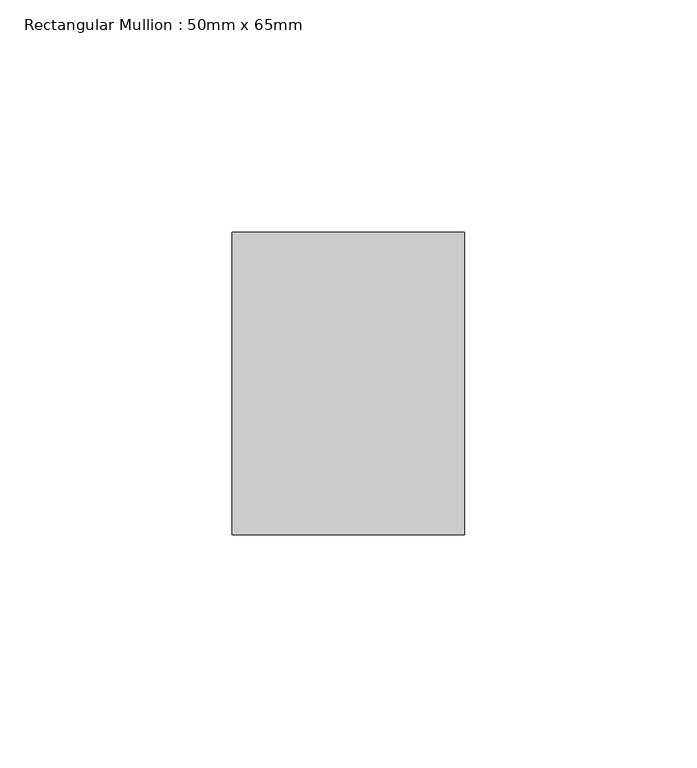
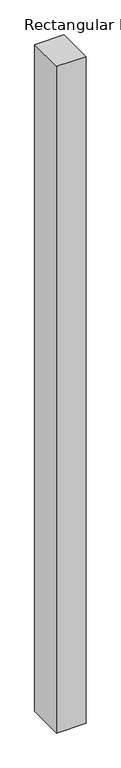
"""IFC4 building model written with IfcOpenShell, lengths in millimetres: member geometry, Rectangular Mullion : 50mm x 65mm."""

from ifc_helpers import new_model, si_unit, frame, origin, place, context, project, spatial, polyline, outline, extrude, source, transform, mapped, element, save


def rectangular_mullion_50mm_x_65mm_36e0527a(model_context):
    return source(origin(), model_context, "Body", "SweptSolid", [
        extrude(outline(polyline([(25.0, 32.5), (25.0, -32.5), (-25.0, -32.5), (-25.0, 32.5), (25.0, 32.5)])), frame((0.0, 0.0, -1205.1794646), z_axis=(0.0, 0.0, 1.0), x_axis=(1.0, 0.0, 0.0)), (0.0, 0.0, 1.0), 1205.1794646),
    ])


if __name__ == "__main__":
    model = new_model("IFC4")
    model_context = context("Model", 3, world=origin())
    ifc_project = project(units=[si_unit("LENGTHUNIT", "METRE", prefix="MILLI")], contexts=[model_context])
    site = spatial("IfcSite", under=ifc_project)
    building = spatial("IfcBuilding", under=site)
    placement = place(None, origin())
    rectangular_mullion_50mm_x_65mm_shape = rectangular_mullion_50mm_x_65mm_36e0527a(model_context)
    element("IfcMember", 1, ObjectType="Rectangular Mullion : 50mm x 65mm", at=placement, inside=building, context=model_context, shape_type="MappedRepresentation", body=[
        mapped(rectangular_mullion_50mm_x_65mm_shape, transform((0.0, 0.0, 0.0), x_axis=(1.0, 0.0, 0.0), y_axis=(0.0, 1.0, 0.0), z_axis=(0.0, 0.0, 1.0))),
    ])
    save(model, "model.ifc")
